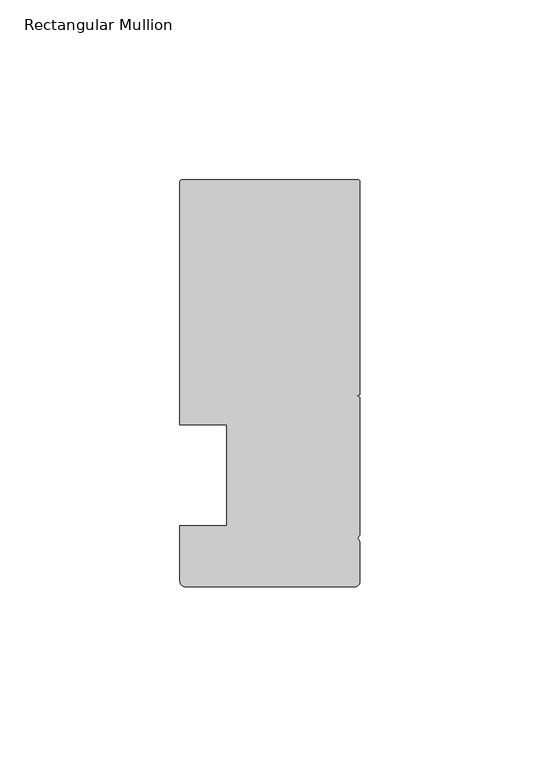
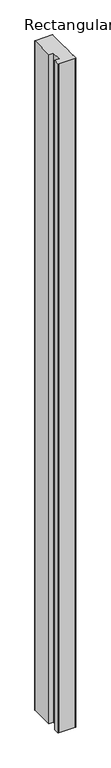
"""IFC4 building model written with IfcOpenShell, lengths in millimetres: member geometry, Rectangular Mullion."""

from ifc_helpers import new_model, si_unit, point, frame, frame_2d, origin, place, context, project, spatial, polyline, circle_curve, trimmed, segment, composite_curve, outline, extrude, source, transform, mapped, element, save


def rectangular_mullion_975cca60(model_context):
    return source(origin(), model_context, "Body", "SweptSolid", [
        extrude(outline(composite_curve([segment(trimmed(circle_curve(frame_2d((-49.5, 81.500001)), 0.5), [point((-50.0, 81.500001))], [point((-49.5, 82.000001))], False, "CARTESIAN"), True, "CONTINUOUS"), segment(polyline([(-49.5, 82.000001), (-0.5, 82.000001)]), True, "CONTINUOUS"), segment(trimmed(circle_curve(frame_2d((-0.5, 81.500001)), 0.5), [point((-0.5, 82.000001))], [point((0.0, 81.500001))], False, "CARTESIAN"), True, "CONTINUOUS"), segment(polyline([(0.0, 81.500001), (0.0, 22.4015984), (-0.695587, 22.000001), (0.0, 21.5984037), (0.0, -16.700633), (-0.6643165, -17.3649495), (0.0, -18.5155795), (0.0, -29.499999)]), True, "CONTINUOUS"), segment(trimmed(circle_curve(frame_2d((-1.5, -29.499999)), 1.5), [point((0.0, -29.499999))], [point((-1.5, -30.999999))], False, "CARTESIAN"), True, "CONTINUOUS"), segment(polyline([(-1.5, -30.999999), (-48.5, -30.999999)]), True, "CONTINUOUS"), segment(trimmed(circle_curve(frame_2d((-48.5, -29.499999)), 1.5), [point((-48.5, -30.999999))], [point((-50.0, -29.499999))], False, "CARTESIAN"), True, "CONTINUOUS"), segment(polyline([(-50.0, -29.499999), (-50.0, -14.0), (-36.9999999, -14.0), (-36.9999999, 14.0), (-50.0, 14.0), (-50.0, 81.500001)]), True, "CONTINUOUS")], self_intersect=False)), frame((0.0, 0.0, -1992.2943907), z_axis=(0.0, 0.0, 1.0), x_axis=(1.0, 0.0, 0.0)), (0.0, 0.0, 1.0), 1992.2943907),
    ])


if __name__ == "__main__":
    model = new_model("IFC4")
    model_context = context("Model", 3, world=origin())
    ifc_project = project(units=[si_unit("LENGTHUNIT", "METRE", prefix="MILLI")], contexts=[model_context])
    site = spatial("IfcSite", under=ifc_project)
    building = spatial("IfcBuilding", under=site)
    placement = place(None, origin())
    rectangular_mullion_shape = rectangular_mullion_975cca60(model_context)
    element("IfcMember", 1, ObjectType="Rectangular Mullion", at=placement, inside=building, context=model_context, shape_type="MappedRepresentation", body=[
        mapped(rectangular_mullion_shape, transform((0.0, 0.0, 0.0), x_axis=(1.0, 0.0, 0.0), y_axis=(0.0, 1.0, 0.0), z_axis=(0.0, 0.0, 1.0))),
    ])
    save(model, "model.ifc")
